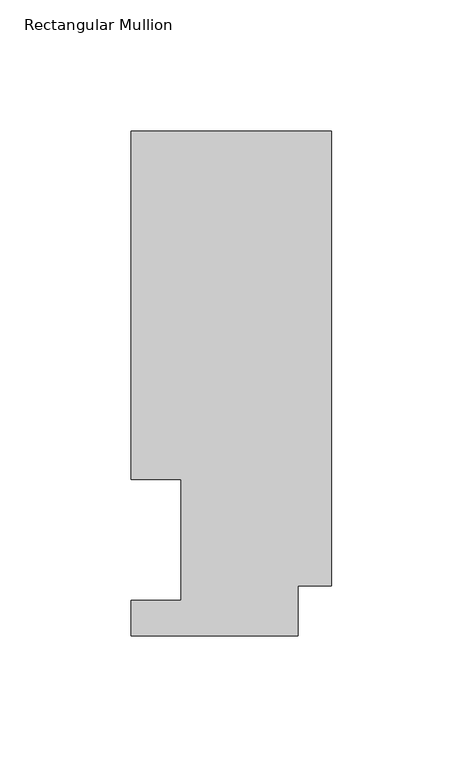
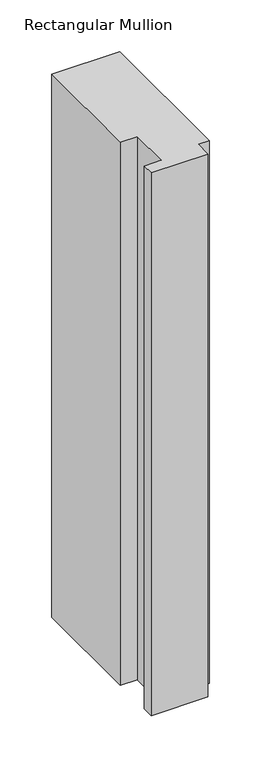
"""IFC4 building model written with IfcOpenShell, lengths in millimetres: member geometry, Rectangular Mullion."""

from ifc_helpers import new_model, si_unit, frame, origin, place, context, project, spatial, polyline, outline, extrude, source, transform, mapped, element, save


def rectangular_mullion_8ceb0b73(model_context):
    return source(origin(), model_context, "Body", "SweptSolid", [
        extrude(outline(polyline([(0.0, 192.09385), (0.0, 19.06905), (-12.7, 19.06905), (-12.7, 0.04445), (-76.2, 0.04445), (-76.2, 13.50645), (-57.1627, 13.50645), (-57.1627, 59.53125), (-76.2, 59.53125), (-76.2, 192.09385), (0.0, 192.09385)])), frame((0.0, 0.0, -641.35), z_axis=(0.0, 0.0, 1.0), x_axis=(1.0, 0.0, 0.0)), (0.0, 0.0, 1.0), 641.35),
    ])


if __name__ == "__main__":
    model = new_model("IFC4")
    model_context = context("Model", 3, world=origin())
    ifc_project = project(units=[si_unit("LENGTHUNIT", "METRE", prefix="MILLI")], contexts=[model_context])
    site = spatial("IfcSite", under=ifc_project)
    building = spatial("IfcBuilding", under=site)
    placement = place(None, origin())
    rectangular_mullion_shape = rectangular_mullion_8ceb0b73(model_context)
    element("IfcMember", 1, ObjectType="Rectangular Mullion", at=placement, inside=building, context=model_context, shape_type="MappedRepresentation", body=[
        mapped(rectangular_mullion_shape, transform((0.0, 0.0, 0.0), x_axis=(1.0, 0.0, 0.0), y_axis=(0.0, 1.0, 0.0), z_axis=(0.0, 0.0, 1.0))),
    ])
    save(model, "model.ifc")
